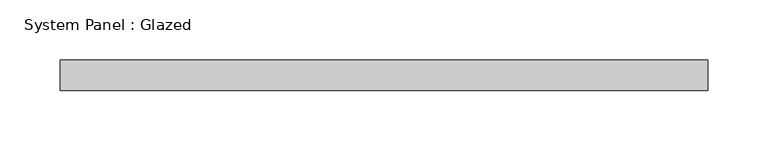
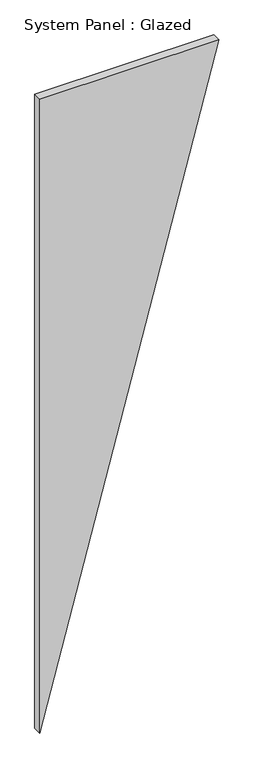
"""IFC4 building model written with IfcOpenShell, lengths in millimetres: plate geometry, System Panel : Glazed."""

from ifc_helpers import new_model, si_unit, frame, origin, place, context, project, spatial, polyline, outline, extrude, source, transform, mapped, element, save


def system_panel_glazed_e99e3aaf(model_context):
    return source(origin(), model_context, "Body", "SweptSolid", [
        extrude(outline(polyline([(0.0, -267.9699542), (2000.1549677, 267.9699542), (2000.1549677, -267.9699542), (0.0, -267.9699542)])), frame((0.0, -22.5, 0.0), z_axis=(0.0, 1.0, 0.0), x_axis=(0.0, 0.0, 1.0)), (0.0, 0.0, 1.0), 25.0),
    ])


if __name__ == "__main__":
    model = new_model("IFC4")
    model_context = context("Model", 3, world=origin())
    ifc_project = project(units=[si_unit("LENGTHUNIT", "METRE", prefix="MILLI")], contexts=[model_context])
    site = spatial("IfcSite", under=ifc_project)
    building = spatial("IfcBuilding", under=site)
    placement = place(None, origin())
    system_panel_glazed_shape = system_panel_glazed_e99e3aaf(model_context)
    element("IfcPlate", 1, ObjectType="System Panel : Glazed", at=placement, inside=building, context=model_context, shape_type="MappedRepresentation", body=[
        mapped(system_panel_glazed_shape, transform((0.0, 0.0, 0.0), x_axis=(1.0, 0.0, 0.0), y_axis=(0.0, 1.0, 0.0), z_axis=(0.0, 0.0, 1.0))),
    ])
    save(model, "model.ifc")
